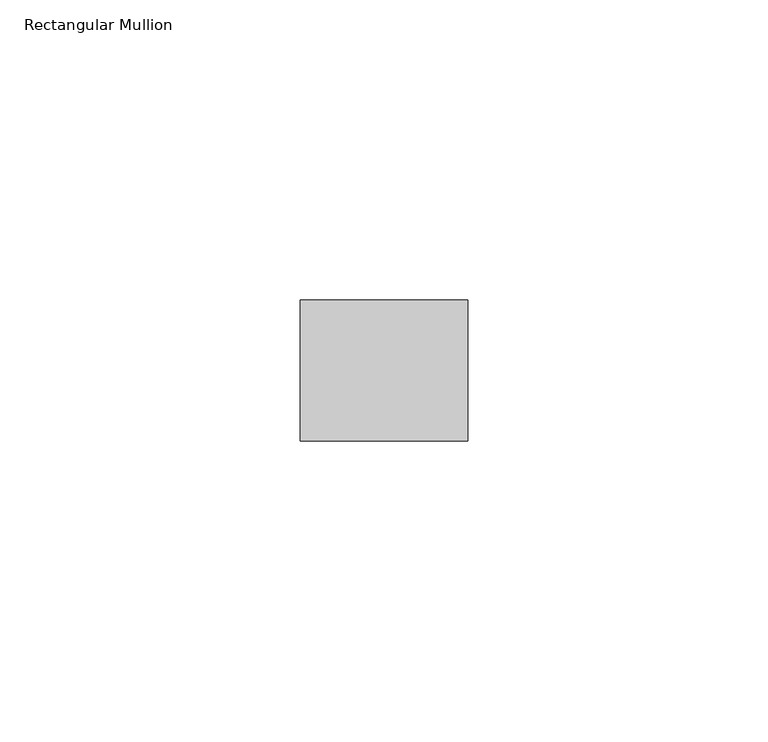
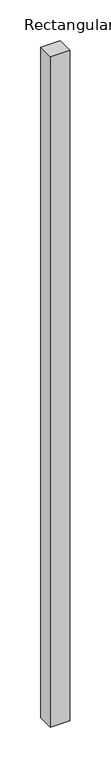
"""IFC4 building model written with IfcOpenShell, lengths in millimetres: member geometry, Rectangular Mullion."""

from ifc_helpers import new_model, si_unit, frame, origin, place, context, project, spatial, polyline, outline, extrude, source, transform, mapped, element, save


def rectangular_mullion_d517f668(model_context):
    return source(origin(), model_context, "Body", "SweptSolid", [
        extrude(outline(polyline([(0.0, -11.7474999), (-27.94, -11.7474999), (-27.94, 11.7474999), (0.0, 11.7474999), (0.0, -11.7474999)])), frame((0.0, 0.0, -1007.1693618), z_axis=(0.0, 0.0, 1.0), x_axis=(1.0, 0.0, 0.0)), (0.0, 0.0, 1.0), 1007.1693618),
    ])


if __name__ == "__main__":
    model = new_model("IFC4")
    model_context = context("Model", 3, world=origin())
    ifc_project = project(units=[si_unit("LENGTHUNIT", "METRE", prefix="MILLI")], contexts=[model_context])
    site = spatial("IfcSite", under=ifc_project)
    building = spatial("IfcBuilding", under=site)
    placement = place(None, origin())
    rectangular_mullion_shape = rectangular_mullion_d517f668(model_context)
    element("IfcMember", 1, ObjectType="Rectangular Mullion", at=placement, inside=building, context=model_context, shape_type="MappedRepresentation", body=[
        mapped(rectangular_mullion_shape, transform((0.0, 0.0, 0.0), x_axis=(1.0, 0.0, 0.0), y_axis=(0.0, 1.0, 0.0), z_axis=(0.0, 0.0, 1.0))),
    ])
    save(model, "model.ifc")
